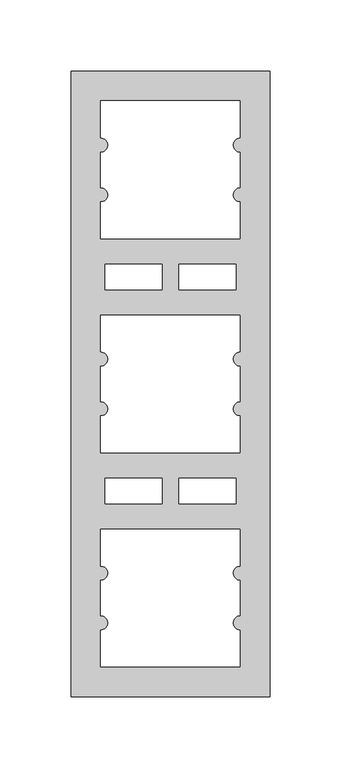
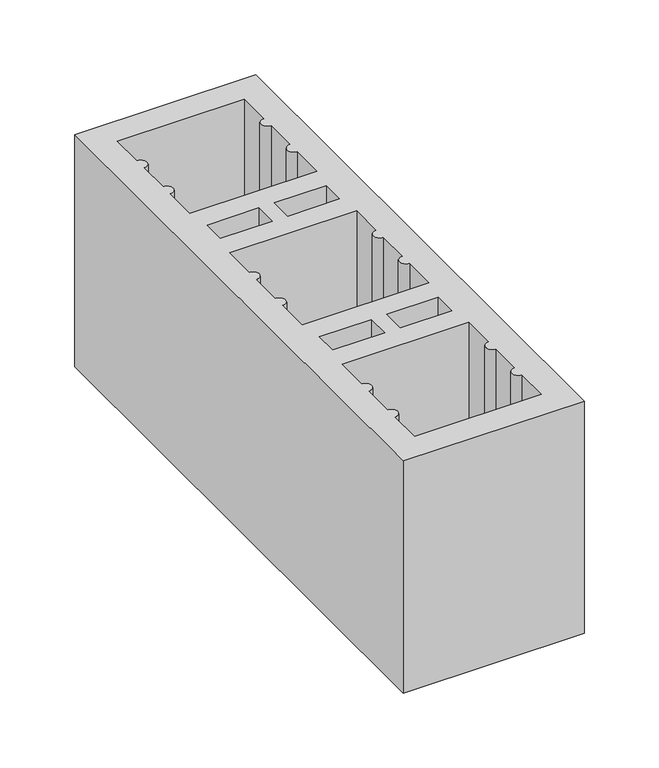
"""IFC4 building model written with IfcOpenShell, lengths in millimetres: proxy geometry."""

from ifc_helpers import new_model, si_unit, point, frame_2d, origin, origin_with_axes, place, context, project, spatial, polyline, circle_curve, trimmed, segment, composite_curve, outline, extrude, source, transform, mapped, element, save


def generic_models_f480a053(model_context):
    return source(origin(), model_context, "Body", "SweptSolid", [
        extrude(outline(polyline([(140.0, 0.0), (0.0, 0.0), (0.0, 440.0), (140.0, 440.0), (140.0, 0.0)]), holes=[composite_curve([segment(polyline([(21.0, 268.5), (21.0, 242.5)]), True, "CONTINUOUS"), segment(trimmed(circle_curve(frame_2d((21.0, 237.5)), 5.0), [point((21.0, 242.5))], [point((21.0, 232.5))], False, "CARTESIAN"), True, "CONTINUOUS"), segment(polyline([(21.0, 232.5), (21.0, 207.5)]), True, "CONTINUOUS"), segment(trimmed(circle_curve(frame_2d((21.0, 202.5)), 5.0), [point((21.0, 207.5))], [point((21.0, 197.5))], False, "CARTESIAN"), True, "CONTINUOUS"), segment(polyline([(21.0, 197.5), (21.0, 171.5), (119.0, 171.5), (119.0, 197.5)]), True, "CONTINUOUS"), segment(trimmed(circle_curve(frame_2d((119.0, 202.5)), 5.0), [point((119.0, 197.5))], [point((119.0, 207.5))], False, "CARTESIAN"), True, "CONTINUOUS"), segment(polyline([(119.0, 207.5), (119.0, 232.5)]), True, "CONTINUOUS"), segment(trimmed(circle_curve(frame_2d((119.0, 237.5)), 5.0), [point((119.0, 232.5))], [point((119.0, 242.5))], False, "CARTESIAN"), True, "CONTINUOUS"), segment(polyline([(119.0, 242.5), (119.0, 268.5), (21.0, 268.5)]), True, "CONTINUOUS")], self_intersect=False), polyline([(24.0, 153.75), (24.0, 135.75), (64.0, 135.75), (64.0, 153.75), (24.0, 153.75)]), polyline([(116.0, 153.75), (76.0, 153.75), (76.0, 135.75), (116.0, 135.75), (116.0, 153.75)]), composite_curve([segment(polyline([(21.0, 21.0), (119.0, 21.0), (119.0, 47.0)]), True, "CONTINUOUS"), segment(trimmed(circle_curve(frame_2d((119.0, 52.0)), 5.0), [point((119.0, 47.0))], [point((119.0, 57.0))], False, "CARTESIAN"), True, "CONTINUOUS"), segment(polyline([(119.0, 57.0), (119.0, 82.0)]), True, "CONTINUOUS"), segment(trimmed(circle_curve(frame_2d((119.0, 87.0)), 5.0), [point((119.0, 82.0))], [point((119.0, 92.0))], False, "CARTESIAN"), True, "CONTINUOUS"), segment(polyline([(119.0, 92.0), (119.0, 118.0), (21.0, 118.0), (21.0, 92.0)]), True, "CONTINUOUS"), segment(trimmed(circle_curve(frame_2d((21.0, 87.0)), 5.0), [point((21.0, 92.0))], [point((21.0, 82.0))], False, "CARTESIAN"), True, "CONTINUOUS"), segment(polyline([(21.0, 82.0), (21.0, 57.0)]), True, "CONTINUOUS"), segment(trimmed(circle_curve(frame_2d((21.0, 52.0)), 5.0), [point((21.0, 57.0))], [point((21.0, 47.0))], False, "CARTESIAN"), True, "CONTINUOUS"), segment(polyline([(21.0, 47.0), (21.0, 21.0)]), True, "CONTINUOUS")], self_intersect=False), polyline([(24.0, 286.25), (64.0, 286.25), (64.0, 304.25), (24.0, 304.25), (24.0, 286.25)]), polyline([(116.0, 286.25), (116.0, 304.25), (76.0, 304.25), (76.0, 286.25), (116.0, 286.25)]), composite_curve([segment(polyline([(21.0, 419.0), (21.0, 393.0)]), True, "CONTINUOUS"), segment(trimmed(circle_curve(frame_2d((21.0, 388.0)), 5.0), [point((21.0, 393.0))], [point((21.0, 383.0))], False, "CARTESIAN"), True, "CONTINUOUS"), segment(polyline([(21.0, 383.0), (21.0, 358.0)]), True, "CONTINUOUS"), segment(trimmed(circle_curve(frame_2d((21.0, 353.0)), 5.0), [point((21.0, 358.0))], [point((21.0, 348.0))], False, "CARTESIAN"), True, "CONTINUOUS"), segment(polyline([(21.0, 348.0), (21.0, 322.0), (119.0, 322.0), (119.0, 348.0)]), True, "CONTINUOUS"), segment(trimmed(circle_curve(frame_2d((119.0, 353.0)), 5.0), [point((119.0, 348.0))], [point((119.0, 358.0))], False, "CARTESIAN"), True, "CONTINUOUS"), segment(polyline([(119.0, 358.0), (119.0, 383.0)]), True, "CONTINUOUS"), segment(trimmed(circle_curve(frame_2d((119.0, 388.0)), 5.0), [point((119.0, 383.0))], [point((119.0, 393.0))], False, "CARTESIAN"), True, "CONTINUOUS"), segment(polyline([(119.0, 393.0), (119.0, 419.0), (21.0, 419.0)]), True, "CONTINUOUS")], self_intersect=False)]), origin_with_axes(), (0.0, 0.0, 1.0), 190.0),
    ])


if __name__ == "__main__":
    model = new_model("IFC4")
    model_context = context("Model", 3, world=origin())
    ifc_project = project(units=[si_unit("LENGTHUNIT", "METRE", prefix="MILLI")], contexts=[model_context])
    site = spatial("IfcSite", under=ifc_project)
    building = spatial("IfcBuilding", under=site)
    placement = place(None, origin())
    generic_models_shape = generic_models_f480a053(model_context)
    element("IfcBuildingElementProxy", 1, Name="Generic Models", at=placement, inside=building, context=model_context, shape_type="MappedRepresentation", body=[
        mapped(generic_models_shape, transform((0.0, 0.0, 0.0), x_axis=(1.0, 0.0, 0.0), y_axis=(0.0, 1.0, 0.0), z_axis=(0.0, 0.0, 1.0))),
    ])
    save(model, "model.ifc")
